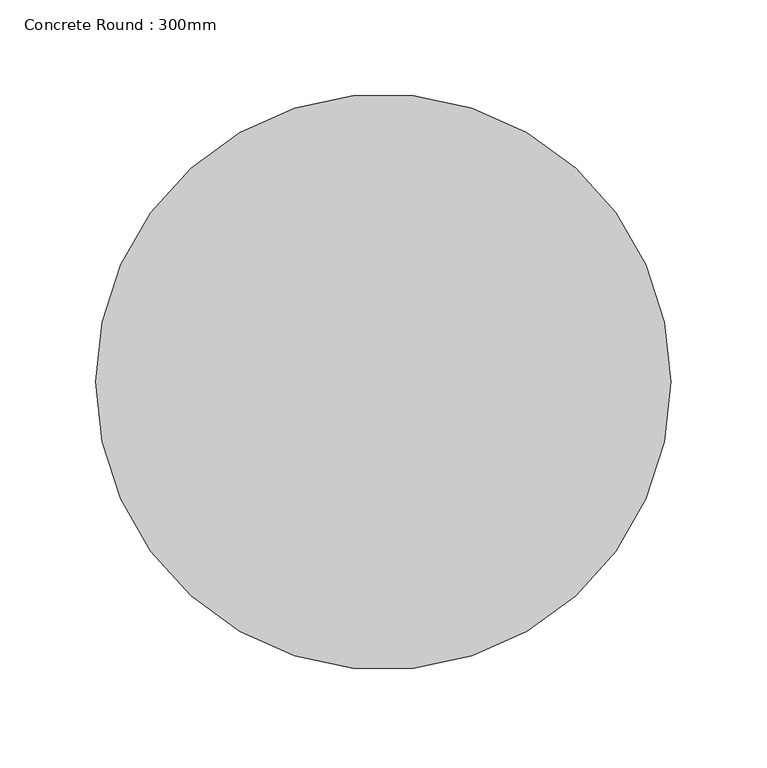
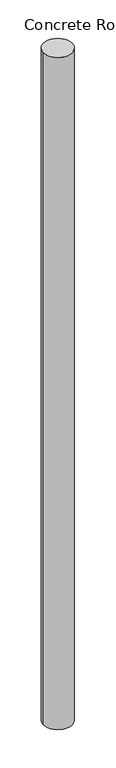
"""IFC4 building model written with IfcOpenShell, lengths in millimetres: column geometry, Concrete Round : 300mm."""

from ifc_helpers import new_model, si_unit, point, frame, origin, origin_2d, place, context, project, spatial, circle_curve, trimmed, segment, composite_curve, outline, extrude, source, transform, mapped, element, save


def concrete_round_300mm_f8b65615(model_context):
    return source(origin(), model_context, "Body", "SweptSolid", [
        extrude(outline(composite_curve([segment(trimmed(circle_curve(origin_2d(), 150.0), [point((-150.0, 0.0))], [point((150.0, 0.0))], False, "CARTESIAN"), True, "CONTINUOUS"), segment(trimmed(circle_curve(origin_2d(), 150.0), [point((150.0, 0.0))], [point((-150.0, 0.0))], False, "CARTESIAN"), True, "CONTINUOUS")], self_intersect=False)), frame((0.0, 0.0, -450.0), z_axis=(0.0, 0.0, 1.0), x_axis=(1.0, 0.0, 0.0)), (0.0, 0.0, 1.0), 7350.0),
    ])


if __name__ == "__main__":
    model = new_model("IFC4")
    model_context = context("Model", 3, world=origin())
    ifc_project = project(units=[si_unit("LENGTHUNIT", "METRE", prefix="MILLI")], contexts=[model_context])
    site = spatial("IfcSite", under=ifc_project)
    building = spatial("IfcBuilding", under=site)
    placement = place(None, origin())
    concrete_round_300mm_shape = concrete_round_300mm_f8b65615(model_context)
    element("IfcColumn", 1, ObjectType="Concrete Round : 300mm", at=placement, inside=building, context=model_context, shape_type="MappedRepresentation", body=[
        mapped(concrete_round_300mm_shape, transform((0.0, 0.0, 0.0), x_axis=(1.0, 0.0, 0.0), y_axis=(0.0, 1.0, 0.0), z_axis=(0.0, 0.0, 1.0))),
    ])
    save(model, "model.ifc")
